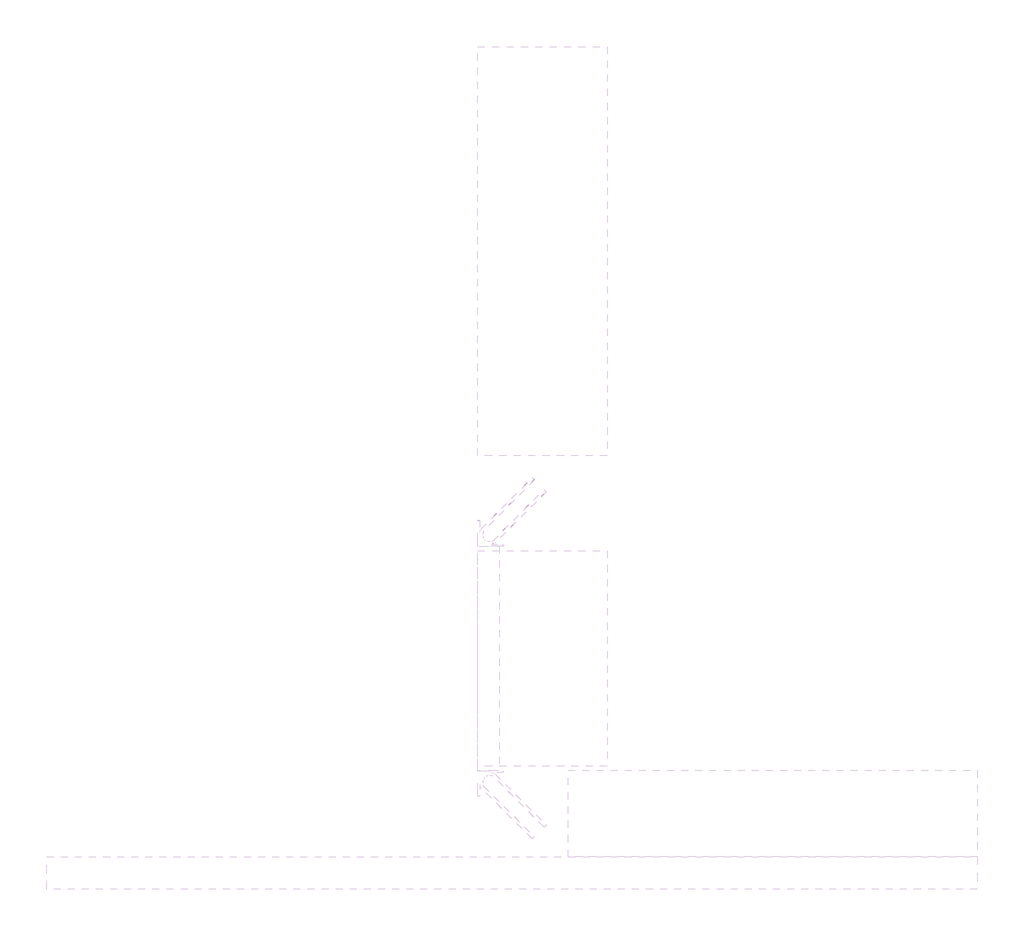
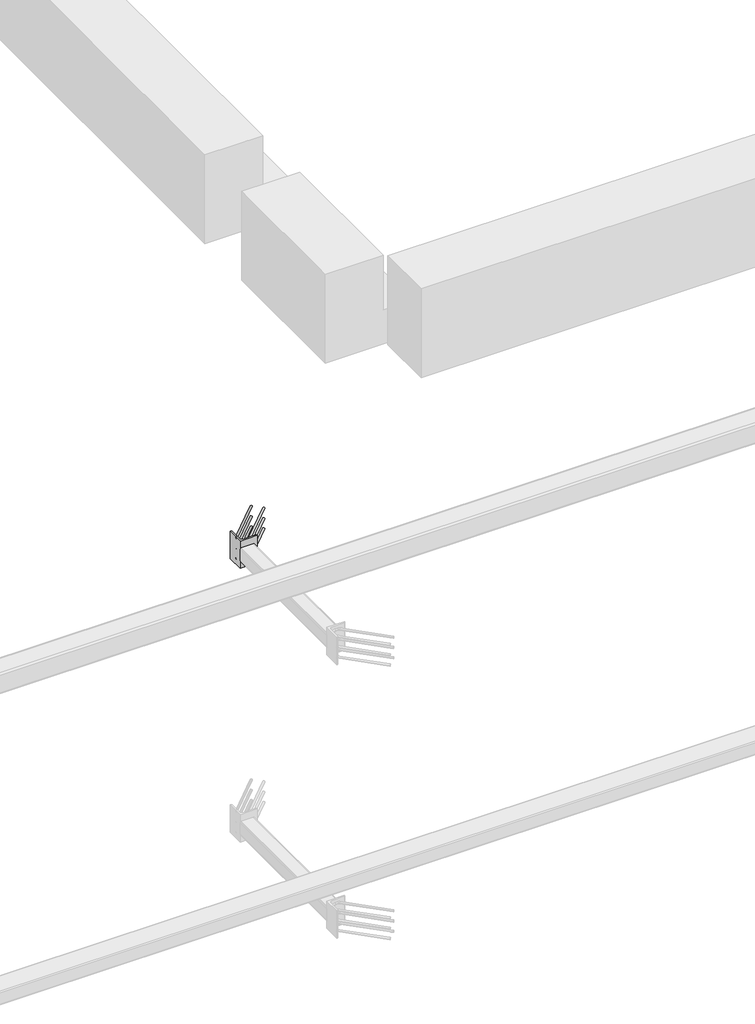
# One storey, part 22 of 65: 1 fastener.
"""IFC4 building model written with IfcOpenShell, lengths in millimetres."""

from ifc_helpers import new_model, si_unit, point, frame, frame_2d, origin, place, context, project, spatial, polyline, circle_curve, ellipse_curve, trimmed, segment, composite_curve, outline, extrude, element, save
from ifc_brep_helpers import plane_surface, cylinder_surface, revolved_surface, advanced_brep

model = new_model("IFC4")

# Units and contexts
model_context = context("Model", 3, world=origin())
ifc_project = project(units=[si_unit("LENGTHUNIT", "METRE", prefix="MILLI")], contexts=[model_context])

# Site, building, storey
site = spatial("IfcSite", under=ifc_project)
building = spatial("IfcBuilding", under=site)
storey = spatial("IfcBuildingStorey", under=building, Elevation=0.0)

# Fastener
placement = place(None, origin())
element("IfcFastener", 1, at=placement, inside=storey, context=model_context, shape_type="SolidModel", body=[
    advanced_brep(
    [(38902.5376259, 11557.4371209, 3975.0), (38912.4371209, 11547.5376259, 3975.0), (38967.4371209, 11492.5376259, 3975.0), (38957.5376259, 11502.4371209, 3975.0), (38697.0, 11264.0, 3975.0), (38697.0, 11250.0, 3975.0), (38715.7867966, 11250.0, 3975.0), (38715.7867966, 11264.0, 3975.0), (38674.0, 11287.0, 3975.0), (38660.0, 11287.0, 3975.0), (38674.0, 11305.7867966, 3975.0), (38660.0, 11305.7867966, 3975.0), (38666.4436508, 11321.3431458, 3975.0), (38676.3431458, 11311.4436508, 3975.0), (38721.4436508, 11266.3431458, 3975.0), (38731.3431458, 11256.4436508, 3975.0)],
    [
        (0, 1, circle_curve(frame((38907.4873734, 11552.4873734, 3975.0), z_axis=(0.7071067811865505, 0.7071067811865446, 0.0), x_axis=(0.7071067811865447, -0.7071067811865506, 0.0)), 7.0)),
        (1, 0, circle_curve(frame((38907.4873734, 11552.4873734, 3975.0), z_axis=(0.7071067811865505, 0.7071067811865446, 0.0), x_axis=(0.7071067811865447, -0.7071067811865506, 0.0)), 7.0)),
        (2, 3, circle_curve(frame((38962.4873734, 11497.4873734, 3975.0), z_axis=(0.7071067811865503, 0.7071067811865447, 0.0), x_axis=(-0.7071067811865447, 0.7071067811865503, 0.0)), 7.0)),
        (3, 2, circle_curve(frame((38962.4873734, 11497.4873734, 3975.0), z_axis=(0.7071067811865503, 0.7071067811865447, 0.0), x_axis=(-0.7071067811865447, 0.7071067811865503, 0.0)), 7.0)),
        (4, 5, circle_curve(frame((38697.0, 11257.0, 3975.0), z_axis=(1.0, 0.0, 0.0), x_axis=(0.0, 1.0, 0.0)), 7.0)),
        (5, 6),
        (6, 7, circle_curve(frame((38715.7867966, 11257.0, 3975.0), z_axis=(-1.0, 0.0, 0.0), x_axis=(0.0, 1.0, 0.0)), 7.0)),
        (7, 4),
        (5, 4, circle_curve(frame((38697.0, 11257.0, 3975.0), z_axis=(1.0, 0.0, 0.0), x_axis=(0.0, 1.0, 0.0)), 7.0)),
        (7, 6, circle_curve(frame((38715.7867966, 11257.0, 3975.0), z_axis=(-1.0, 0.0, 0.0), x_axis=(0.0, 1.0, 0.0)), 7.0)),
        (4, 8, circle_curve(frame((38697.0, 11287.0, 3975.0), z_axis=(0.0, 0.0, -1.0), x_axis=(-1.0, 0.0, 0.0)), 23.0)),
        (8, 9, circle_curve(frame((38667.0, 11287.0, 3975.0), z_axis=(0.0, -1.0, 0.0), x_axis=(1.0, 0.0, 0.0)), 7.0)),
        (9, 5, circle_curve(frame((38697.0, 11287.0, 3975.0), z_axis=(0.0, 0.0, 1.0), x_axis=(-1.0, 0.0, 0.0)), 37.0)),
        (9, 8, circle_curve(frame((38667.0, 11287.0, 3975.0), z_axis=(0.0, -1.0, 0.0), x_axis=(1.0, 0.0, 0.0)), 7.0)),
        (10, 11, circle_curve(frame((38667.0, 11305.7867966, 3975.0), z_axis=(0.0, -1.0, 0.0), x_axis=(1.0, 0.0, 0.0)), 7.0)),
        (11, 9),
        (8, 10),
        (11, 10, circle_curve(frame((38667.0, 11305.7867966, 3975.0), z_axis=(0.0, -1.0, 0.0), x_axis=(1.0, 0.0, 0.0)), 7.0)),
        (0, 12),
        (12, 13, circle_curve(frame((38671.3933983, 11316.3933983, 3975.0), z_axis=(0.7071067811865505, 0.7071067811865446, 0.0), x_axis=(0.7071067811865447, -0.7071067811865506, 0.0)), 7.0)),
        (13, 1),
        (13, 12, circle_curve(frame((38671.3933983, 11316.3933983, 3975.0), z_axis=(0.7071067811865505, 0.7071067811865446, 0.0), x_axis=(0.7071067811865447, -0.7071067811865506, 0.0)), 7.0)),
        (10, 13, circle_curve(frame((38682.0, 11305.7867966, 3975.0), z_axis=(0.0, 0.0, -1.0), x_axis=(-0.7071067811865445, 0.7071067811865506, 0.0)), 8.0)),
        (12, 11, circle_curve(frame((38682.0, 11305.7867966, 3975.0), z_axis=(0.0, 0.0, 1.0), x_axis=(-0.7071067811865445, 0.7071067811865506, 0.0)), 22.0)),
        (14, 7, circle_curve(frame((38715.7867966, 11272.0, 3975.0), z_axis=(0.0, 0.0, -1.0), x_axis=(0.0, -1.0, 0.0)), 8.0)),
        (6, 15, circle_curve(frame((38715.7867966, 11272.0, 3975.0), z_axis=(0.0, 0.0, 1.0), x_axis=(0.0, -1.0, 0.0)), 22.0)),
        (15, 14, circle_curve(frame((38726.3933983, 11261.3933983, 3975.0), z_axis=(-0.7071067811865501, -0.7071067811865449, 0.0), x_axis=(-0.7071067811865449, 0.7071067811865501, 0.0)), 7.0)),
        (14, 15, circle_curve(frame((38726.3933983, 11261.3933983, 3975.0), z_axis=(-0.7071067811865496, -0.7071067811865455, 0.0), x_axis=(-0.7071067811865455, 0.7071067811865496, 0.0)), 7.0)),
        (15, 2),
        (3, 14),
    ],
    [
        plane_surface(frame((38907.4873734, 11552.4873734, 3975.0), z_axis=(0.7071067811865505, 0.7071067811865446, 0.0), x_axis=(0.0, 0.0, 1.0))),
        plane_surface(frame((38962.4873734, 11497.4873734, 3975.0), z_axis=(0.7071067811865503, 0.7071067811865447, 0.0), x_axis=(0.0, 0.0, 1.0))),
        cylinder_surface(frame((38697.0, 11257.0, 3975.0), z_axis=(-1.0, 0.0, 0.0), x_axis=(0.0, 1.0, 0.0)), 7.0),
        revolved_surface(trimmed(ellipse_curve(frame((38667.0, 11287.0, 3975.0), z_axis=(0.0, 1.0, 0.0), x_axis=(1.0, 0.0, 0.0)), 7.0, 7.0), [point((38660.0, 11287.0, 3975.0))], [point((38674.0, 11287.0, 3975.0))], True, "CARTESIAN"), (38697.0, 11287.0, 3975.0), (0.0, 0.0, 1.0)),
        revolved_surface(trimmed(ellipse_curve(frame((38667.0, 11287.0, 3975.0), z_axis=(0.0, 1.0, 0.0), x_axis=(1.0, 0.0, 0.0)), 7.0, 7.0), [point((38674.0, 11287.0, 3975.0))], [point((38660.0, 11287.0, 3975.0))], True, "CARTESIAN"), (38697.0, 11287.0, 3975.0), (0.0, 0.0, 1.0)),
        cylinder_surface(frame((38667.0, 11305.7867966, 3975.0), z_axis=(0.0, 1.0, 0.0), x_axis=(1.0, 0.0, 0.0)), 7.0),
        cylinder_surface(frame((38907.4873734, 11552.4873734, 3975.0), z_axis=(0.7071067811865506, 0.7071067811865447, 0.0), x_axis=(0.7071067811865447, -0.7071067811865506, 0.0)), 7.0),
        revolved_surface(trimmed(ellipse_curve(frame((38671.3933983, 11316.3933983, 3975.0), z_axis=(0.7071067811865506, 0.7071067811865445, 0.0), x_axis=(0.7071067811865445, -0.7071067811865506, 0.0)), 7.0, 7.0), [point((38666.4436508, 11321.3431458, 3975.0))], [point((38676.3431458, 11311.4436508, 3975.0))], True, "CARTESIAN"), (38682.0, 11305.7867966, 3975.0), (0.0, 0.0, 1.0)),
        revolved_surface(trimmed(ellipse_curve(frame((38671.3933983, 11316.3933983, 3975.0), z_axis=(0.7071067811865506, 0.7071067811865445, 0.0), x_axis=(0.7071067811865445, -0.7071067811865506, 0.0)), 7.0, 7.0), [point((38676.3431458, 11311.4436508, 3975.0))], [point((38666.4436508, 11321.3431458, 3975.0))], True, "CARTESIAN"), (38682.0, 11305.7867966, 3975.0), (0.0, 0.0, 1.0)),
        revolved_surface(trimmed(ellipse_curve(frame((38715.7867966, 11257.0, 3975.0), z_axis=(-1.0, 0.0, 0.0), x_axis=(0.0, 1.0, 0.0)), 7.0, 7.0), [point((38715.7867966, 11250.0, 3975.0))], [point((38715.7867966, 11264.0, 3975.0))], True, "CARTESIAN"), (38715.7867966, 11272.0, 3975.0), (0.0, 0.0, 1.0)),
        revolved_surface(trimmed(ellipse_curve(frame((38715.7867966, 11257.0, 3975.0), z_axis=(-1.0, 0.0, 0.0), x_axis=(0.0, 1.0, 0.0)), 7.0, 7.0), [point((38715.7867966, 11264.0, 3975.0))], [point((38715.7867966, 11250.0, 3975.0))], True, "CARTESIAN"), (38715.7867966, 11272.0, 3975.0), (0.0, 0.0, 1.0)),
        cylinder_surface(frame((38726.3933983, 11261.3933983, 3975.0), z_axis=(-0.7071067811865503, -0.7071067811865447, 0.0), x_axis=(-0.7071067811865447, 0.7071067811865503, 0.0)), 7.0),
    ],
    [
        (0, [[1, 2]]),
        (1, [[3, 4]]),
        (2, [[5, 6, 7, 8]]),
        (2, [[9, -8, 10, -6]]),
        (3, [[11, 12, 13, -5]]),
        (4, [[-13, 14, -11, -9]]),
        (5, [[15, 16, -12, 17]]),
        (5, [[18, -17, -14, -16]]),
        (6, [[-1, 19, 20, 21]]),
        (6, [[-2, -21, 22, -19]]),
        (7, [[23, -20, 24, -15]]),
        (8, [[-24, -22, -23, -18]]),
        (9, [[25, -7, 26, 27]]),
        (10, [[-26, -10, -25, 28]]),
        (11, [[-27, 29, -4, 30]]),
        (11, [[-28, -30, -3, -29]]),
    ],
),
    advanced_brep(
    [(38912.4371209, 11547.5376259, 4125.0), (38902.5376259, 11557.4371209, 4125.0), (38957.5376259, 11502.4371209, 4125.0), (38967.4371209, 11492.5376259, 4125.0), (38697.0, 11250.0, 4125.0), (38697.0, 11264.0, 4125.0), (38715.7867966, 11264.0, 4125.0), (38715.7867966, 11250.0, 4125.0), (38660.0, 11287.0, 4125.0), (38674.0, 11287.0, 4125.0), (38660.0, 11305.7867966, 4125.0), (38674.0, 11305.7867966, 4125.0), (38676.3431458, 11311.4436508, 4125.0), (38666.4436508, 11321.3431458, 4125.0), (38731.3431458, 11256.4436508, 4125.0), (38721.4436508, 11266.3431458, 4125.0)],
    [
        (0, 1, circle_curve(frame((38907.4873734, 11552.4873734, 4125.0), z_axis=(0.7071067811865505, 0.7071067811865446, 0.0), x_axis=(-0.7071067811865447, 0.7071067811865506, 0.0)), 7.0)),
        (1, 0, circle_curve(frame((38907.4873734, 11552.4873734, 4125.0), z_axis=(0.7071067811865505, 0.7071067811865446, 0.0), x_axis=(-0.7071067811865447, 0.7071067811865506, 0.0)), 7.0)),
        (2, 3, circle_curve(frame((38962.4873734, 11497.4873734, 4125.0), z_axis=(0.7071067811865505, 0.7071067811865447, 0.0), x_axis=(0.7071067811865447, -0.7071067811865505, 0.0)), 7.0)),
        (3, 2, circle_curve(frame((38962.4873734, 11497.4873734, 4125.0), z_axis=(0.7071067811865505, 0.7071067811865447, 0.0), x_axis=(0.7071067811865447, -0.7071067811865505, 0.0)), 7.0)),
        (4, 5, circle_curve(frame((38697.0, 11257.0, 4125.0), z_axis=(1.0, 0.0, 0.0), x_axis=(0.0, -1.0, 0.0)), 7.0)),
        (5, 6),
        (6, 7, circle_curve(frame((38715.7867966, 11257.0, 4125.0), z_axis=(-1.0, 0.0, 0.0), x_axis=(0.0, -1.0, 0.0)), 7.0)),
        (7, 4),
        (5, 4, circle_curve(frame((38697.0, 11257.0, 4125.0), z_axis=(1.0, 0.0, 0.0), x_axis=(0.0, -1.0, 0.0)), 7.0)),
        (7, 6, circle_curve(frame((38715.7867966, 11257.0, 4125.0), z_axis=(-1.0, 0.0, 0.0), x_axis=(0.0, -1.0, 0.0)), 7.0)),
        (4, 8, circle_curve(frame((38697.0, 11287.0, 4125.0), z_axis=(0.0, 0.0, -1.0), x_axis=(-1.0, 0.0, 0.0)), 37.0)),
        (8, 9, circle_curve(frame((38667.0, 11287.0, 4125.0), z_axis=(0.0, -1.0, 0.0), x_axis=(-1.0, 0.0, 0.0)), 7.0)),
        (9, 5, circle_curve(frame((38697.0, 11287.0, 4125.0), z_axis=(0.0, 0.0, 1.0), x_axis=(-1.0, 0.0, 0.0)), 23.0)),
        (9, 8, circle_curve(frame((38667.0, 11287.0, 4125.0), z_axis=(0.0, -1.0, 0.0), x_axis=(-1.0, 0.0, 0.0)), 7.0)),
        (10, 11, circle_curve(frame((38667.0, 11305.7867966, 4125.0), z_axis=(0.0, -1.0, 0.0), x_axis=(-1.0, 0.0, 0.0)), 7.0)),
        (11, 9),
        (8, 10),
        (11, 10, circle_curve(frame((38667.0, 11305.7867966, 4125.0), z_axis=(0.0, -1.0, 0.0), x_axis=(-1.0, 0.0, 0.0)), 7.0)),
        (0, 12),
        (12, 13, circle_curve(frame((38671.3933983, 11316.3933983, 4125.0), z_axis=(0.7071067811865505, 0.7071067811865446, 0.0), x_axis=(-0.7071067811865447, 0.7071067811865506, 0.0)), 7.0)),
        (13, 1),
        (13, 12, circle_curve(frame((38671.3933983, 11316.3933983, 4125.0), z_axis=(0.7071067811865505, 0.7071067811865446, 0.0), x_axis=(-0.7071067811865447, 0.7071067811865506, 0.0)), 7.0)),
        (10, 13, circle_curve(frame((38682.0, 11305.7867966, 4125.0), z_axis=(0.0, 0.0, -1.0), x_axis=(-0.7071067811865445, 0.7071067811865506, 0.0)), 22.0)),
        (12, 11, circle_curve(frame((38682.0, 11305.7867966, 4125.0), z_axis=(0.0, 0.0, 1.0), x_axis=(-0.7071067811865445, 0.7071067811865506, 0.0)), 8.0)),
        (14, 7, circle_curve(frame((38715.7867966, 11272.0, 4125.0), z_axis=(0.0, 0.0, -1.0), x_axis=(0.0, -1.0, 0.0)), 22.0)),
        (6, 15, circle_curve(frame((38715.7867966, 11272.0, 4125.0), z_axis=(0.0, 0.0, 1.0), x_axis=(0.0, -1.0, 0.0)), 8.0)),
        (15, 14, circle_curve(frame((38726.3933983, 11261.3933983, 4125.0), z_axis=(-0.7071067811865488, -0.7071067811865462, 0.0), x_axis=(0.7071067811865462, -0.7071067811865488, 0.0)), 7.0)),
        (14, 15, circle_curve(frame((38726.3933983, 11261.3933983, 4125.0), z_axis=(-0.7071067811865496, -0.7071067811865455, 0.0), x_axis=(0.7071067811865455, -0.7071067811865496, 0.0)), 7.0)),
        (15, 2),
        (3, 14),
    ],
    [
        plane_surface(frame((38907.4873734, 11552.4873734, 4125.0), z_axis=(0.7071067811865505, 0.7071067811865446, 0.0), x_axis=(0.0, 0.0, -1.0))),
        plane_surface(frame((38962.4873734, 11497.4873734, 4125.0), z_axis=(0.7071067811865505, 0.7071067811865447, 0.0), x_axis=(0.0, 0.0, -1.0))),
        cylinder_surface(frame((38697.0, 11257.0, 4125.0), z_axis=(-1.0, 0.0, 0.0), x_axis=(0.0, -1.0, 0.0)), 7.0),
        revolved_surface(trimmed(ellipse_curve(frame((38667.0, 11287.0, 4125.0), z_axis=(0.0, 1.0, 0.0), x_axis=(-1.0, 0.0, 0.0)), 7.0, 7.0), [point((38674.0, 11287.0, 4125.0))], [point((38660.0, 11287.0, 4125.0))], True, "CARTESIAN"), (38697.0, 11287.0, 4125.0), (0.0, 0.0, 1.0)),
        revolved_surface(trimmed(ellipse_curve(frame((38667.0, 11287.0, 4125.0), z_axis=(0.0, 1.0, 0.0), x_axis=(-1.0, 0.0, 0.0)), 7.0, 7.0), [point((38660.0, 11287.0, 4125.0))], [point((38674.0, 11287.0, 4125.0))], True, "CARTESIAN"), (38697.0, 11287.0, 4125.0), (0.0, 0.0, 1.0)),
        cylinder_surface(frame((38667.0, 11305.7867966, 4125.0), z_axis=(0.0, 1.0, 0.0), x_axis=(-1.0, 0.0, 0.0)), 7.0),
        cylinder_surface(frame((38907.4873734, 11552.4873734, 4125.0), z_axis=(0.7071067811865506, 0.7071067811865447, 0.0), x_axis=(-0.7071067811865447, 0.7071067811865506, 0.0)), 7.0),
        revolved_surface(trimmed(ellipse_curve(frame((38671.3933983, 11316.3933983, 4125.0), z_axis=(0.7071067811865506, 0.7071067811865445, 0.0), x_axis=(-0.7071067811865445, 0.7071067811865506, 0.0)), 7.0, 7.0), [point((38676.3431458, 11311.4436508, 4125.0))], [point((38666.4436508, 11321.3431458, 4125.0))], True, "CARTESIAN"), (38682.0, 11305.7867966, 4125.0), (0.0, 0.0, 1.0)),
        revolved_surface(trimmed(ellipse_curve(frame((38671.3933983, 11316.3933983, 4125.0), z_axis=(0.7071067811865506, 0.7071067811865445, 0.0), x_axis=(-0.7071067811865445, 0.7071067811865506, 0.0)), 7.0, 7.0), [point((38666.4436508, 11321.3431458, 4125.0))], [point((38676.3431458, 11311.4436508, 4125.0))], True, "CARTESIAN"), (38682.0, 11305.7867966, 4125.0), (0.0, 0.0, 1.0)),
        revolved_surface(trimmed(ellipse_curve(frame((38715.7867966, 11257.0, 4125.0), z_axis=(-1.0, 0.0, 0.0), x_axis=(0.0, -1.0, 0.0)), 7.0, 7.0), [point((38715.7867966, 11264.0, 4125.0))], [point((38715.7867966, 11250.0, 4125.0))], True, "CARTESIAN"), (38715.7867966, 11272.0, 4125.0), (0.0, 0.0, 1.0)),
        revolved_surface(trimmed(ellipse_curve(frame((38715.7867966, 11257.0, 4125.0), z_axis=(-1.0, 0.0, 0.0), x_axis=(0.0, -1.0, 0.0)), 7.0, 7.0), [point((38715.7867966, 11250.0, 4125.0))], [point((38715.7867966, 11264.0, 4125.0))], True, "CARTESIAN"), (38715.7867966, 11272.0, 4125.0), (0.0, 0.0, 1.0)),
        cylinder_surface(frame((38726.3933983, 11261.3933983, 4125.0), z_axis=(-0.7071067811865505, -0.7071067811865447, 0.0), x_axis=(0.7071067811865447, -0.7071067811865505, 0.0)), 7.0),
    ],
    [
        (0, [[1, 2]]),
        (1, [[3, 4]]),
        (2, [[5, 6, 7, 8]]),
        (2, [[9, -8, 10, -6]]),
        (3, [[11, 12, 13, -5]]),
        (4, [[-13, 14, -11, -9]]),
        (5, [[15, 16, -12, 17]]),
        (5, [[18, -17, -14, -16]]),
        (6, [[-1, 19, 20, 21]]),
        (6, [[-2, -21, 22, -19]]),
        (7, [[23, -20, 24, -15]]),
        (8, [[-24, -22, -23, -18]]),
        (9, [[25, -7, 26, 27]]),
        (10, [[-26, -10, -25, 28]]),
        (11, [[-27, 29, -4, 30]]),
        (11, [[-28, -30, -3, -29]]),
    ],
),
    advanced_brep(
    [(38912.4371209, 11547.5376259, 4050.0), (38902.5376259, 11557.4371209, 4050.0), (38957.5376259, 11502.4371209, 4050.0), (38967.4371209, 11492.5376259, 4050.0), (38697.0, 11250.0, 4050.0), (38697.0, 11264.0, 4050.0), (38715.7867966, 11264.0, 4050.0), (38715.7867966, 11250.0, 4050.0), (38660.0, 11287.0, 4050.0), (38674.0, 11287.0, 4050.0), (38660.0, 11305.7867966, 4050.0), (38674.0, 11305.7867966, 4050.0), (38676.3431458, 11311.4436508, 4050.0), (38666.4436508, 11321.3431458, 4050.0), (38731.3431458, 11256.4436508, 4050.0), (38721.4436508, 11266.3431458, 4050.0)],
    [
        (0, 1, circle_curve(frame((38907.4873734, 11552.4873734, 4050.0), z_axis=(0.7071067811865505, 0.7071067811865446, 0.0), x_axis=(-0.7071067811865446, 0.7071067811865505, 0.0)), 7.0)),
        (1, 0, circle_curve(frame((38907.4873734, 11552.4873734, 4050.0), z_axis=(0.7071067811865505, 0.7071067811865446, 0.0), x_axis=(-0.7071067811865446, 0.7071067811865505, 0.0)), 7.0)),
        (2, 3, circle_curve(frame((38962.4873734, 11497.4873734, 4050.0), z_axis=(0.7071067811865505, 0.7071067811865447, 0.0), x_axis=(0.7071067811865447, -0.7071067811865505, 0.0)), 7.0)),
        (3, 2, circle_curve(frame((38962.4873734, 11497.4873734, 4050.0), z_axis=(0.7071067811865505, 0.7071067811865447, 0.0), x_axis=(0.7071067811865447, -0.7071067811865505, 0.0)), 7.0)),
        (4, 5, circle_curve(frame((38697.0, 11257.0, 4050.0), z_axis=(1.0, 0.0, 0.0), x_axis=(0.0, -1.0, 0.0)), 7.0)),
        (5, 6),
        (6, 7, circle_curve(frame((38715.7867966, 11257.0, 4050.0), z_axis=(-1.0, 0.0, 0.0), x_axis=(0.0, -1.0, 0.0)), 7.0)),
        (7, 4),
        (5, 4, circle_curve(frame((38697.0, 11257.0, 4050.0), z_axis=(1.0, 0.0, 0.0), x_axis=(0.0, -1.0, 0.0)), 7.0)),
        (7, 6, circle_curve(frame((38715.7867966, 11257.0, 4050.0), z_axis=(-1.0, 0.0, 0.0), x_axis=(0.0, -1.0, 0.0)), 7.0)),
        (4, 8, circle_curve(frame((38697.0, 11287.0, 4050.0), z_axis=(0.0, 0.0, -1.0), x_axis=(-1.0, 0.0, 0.0)), 37.0)),
        (8, 9, circle_curve(frame((38667.0, 11287.0, 4050.0), z_axis=(0.0, -1.0, 0.0), x_axis=(-1.0, 0.0, 0.0)), 7.0)),
        (9, 5, circle_curve(frame((38697.0, 11287.0, 4050.0), z_axis=(0.0, 0.0, 1.0), x_axis=(-1.0, 0.0, 0.0)), 23.0)),
        (9, 8, circle_curve(frame((38667.0, 11287.0, 4050.0), z_axis=(0.0, -1.0, 0.0), x_axis=(-1.0, 0.0, 0.0)), 7.0)),
        (10, 11, circle_curve(frame((38667.0, 11305.7867966, 4050.0), z_axis=(0.0, -1.0, 0.0), x_axis=(-1.0, 0.0, 0.0)), 7.0)),
        (11, 9),
        (8, 10),
        (11, 10, circle_curve(frame((38667.0, 11305.7867966, 4050.0), z_axis=(0.0, -1.0, 0.0), x_axis=(-1.0, 0.0, 0.0)), 7.0)),
        (0, 12),
        (12, 13, circle_curve(frame((38671.3933983, 11316.3933983, 4050.0), z_axis=(0.7071067811865505, 0.7071067811865446, 0.0), x_axis=(-0.7071067811865446, 0.7071067811865505, 0.0)), 7.0)),
        (13, 1),
        (13, 12, circle_curve(frame((38671.3933983, 11316.3933983, 4050.0), z_axis=(0.7071067811865505, 0.7071067811865446, 0.0), x_axis=(-0.7071067811865446, 0.7071067811865505, 0.0)), 7.0)),
        (10, 13, circle_curve(frame((38682.0, 11305.7867966, 4050.0), z_axis=(0.0, 0.0, -1.0), x_axis=(-0.7071067811865445, 0.7071067811865506, 0.0)), 22.0)),
        (12, 11, circle_curve(frame((38682.0, 11305.7867966, 4050.0), z_axis=(0.0, 0.0, 1.0), x_axis=(-0.7071067811865445, 0.7071067811865506, 0.0)), 8.0)),
        (14, 7, circle_curve(frame((38715.7867966, 11272.0, 4050.0), z_axis=(0.0, 0.0, -1.0), x_axis=(0.0, -1.0, 0.0)), 22.0)),
        (6, 15, circle_curve(frame((38715.7867966, 11272.0, 4050.0), z_axis=(0.0, 0.0, 1.0), x_axis=(0.0, -1.0, 0.0)), 8.0)),
        (15, 14, circle_curve(frame((38726.3933983, 11261.3933983, 4050.0), z_axis=(-0.7071067811865502, -0.7071067811865448, 0.0), x_axis=(0.7071067811865448, -0.7071067811865502, 0.0)), 7.0)),
        (14, 15, circle_curve(frame((38726.3933983, 11261.3933983, 4050.0), z_axis=(-0.7071067811865501, -0.7071067811865449, 0.0), x_axis=(0.7071067811865449, -0.7071067811865501, 0.0)), 7.0)),
        (15, 2),
        (3, 14),
    ],
    [
        plane_surface(frame((38907.4873734, 11552.4873734, 4050.0), z_axis=(0.7071067811865505, 0.7071067811865446, 0.0), x_axis=(0.0, 0.0, -1.0))),
        plane_surface(frame((38962.4873734, 11497.4873734, 4050.0), z_axis=(0.7071067811865503, 0.7071067811865448, 0.0), x_axis=(0.0, 0.0, -1.0))),
        cylinder_surface(frame((38697.0, 11257.0, 4050.0), z_axis=(-1.0, 0.0, 0.0), x_axis=(0.0, -1.0, 0.0)), 7.0),
        revolved_surface(trimmed(ellipse_curve(frame((38667.0, 11287.0, 4050.0), z_axis=(0.0, 1.0, 0.0), x_axis=(-1.0, 0.0, 0.0)), 7.0, 7.0), [point((38674.0, 11287.0, 4050.0))], [point((38660.0, 11287.0, 4050.0))], True, "CARTESIAN"), (38697.0, 11287.0, 4050.0), (0.0, 0.0, 1.0)),
        revolved_surface(trimmed(ellipse_curve(frame((38667.0, 11287.0, 4050.0), z_axis=(0.0, 1.0, 0.0), x_axis=(-1.0, 0.0, 0.0)), 7.0, 7.0), [point((38660.0, 11287.0, 4050.0))], [point((38674.0, 11287.0, 4050.0))], True, "CARTESIAN"), (38697.0, 11287.0, 4050.0), (0.0, 0.0, 1.0)),
        cylinder_surface(frame((38667.0, 11305.7867966, 4050.0), z_axis=(0.0, 1.0, 0.0), x_axis=(-1.0, 0.0, 0.0)), 7.0),
        cylinder_surface(frame((38907.4873734, 11552.4873734, 4050.0), z_axis=(0.7071067811865505, 0.7071067811865446, 0.0), x_axis=(-0.7071067811865446, 0.7071067811865505, 0.0)), 7.0),
        revolved_surface(trimmed(ellipse_curve(frame((38671.3933983, 11316.3933983, 4050.0), z_axis=(0.7071067811865507, 0.7071067811865444, 0.0), x_axis=(-0.7071067811865444, 0.7071067811865507, 0.0)), 7.0, 7.0), [point((38676.3431458, 11311.4436508, 4050.0))], [point((38666.4436508, 11321.3431458, 4050.0))], True, "CARTESIAN"), (38682.0, 11305.7867966, 4050.0), (0.0, 0.0, 1.0)),
        revolved_surface(trimmed(ellipse_curve(frame((38671.3933983, 11316.3933983, 4050.0), z_axis=(0.7071067811865507, 0.7071067811865444, 0.0), x_axis=(-0.7071067811865444, 0.7071067811865507, 0.0)), 7.0, 7.0), [point((38666.4436508, 11321.3431458, 4050.0))], [point((38676.3431458, 11311.4436508, 4050.0))], True, "CARTESIAN"), (38682.0, 11305.7867966, 4050.0), (0.0, 0.0, 1.0)),
        revolved_surface(trimmed(ellipse_curve(frame((38715.7867966, 11257.0, 4050.0), z_axis=(-1.0, 0.0, 0.0), x_axis=(0.0, -1.0, 0.0)), 7.0, 7.0), [point((38715.7867966, 11264.0, 4050.0))], [point((38715.7867966, 11250.0, 4050.0))], True, "CARTESIAN"), (38715.7867966, 11272.0, 4050.0), (0.0, 0.0, 1.0)),
        revolved_surface(trimmed(ellipse_curve(frame((38715.7867966, 11257.0, 4050.0), z_axis=(-1.0, 0.0, 0.0), x_axis=(0.0, -1.0, 0.0)), 7.0, 7.0), [point((38715.7867966, 11250.0, 4050.0))], [point((38715.7867966, 11264.0, 4050.0))], True, "CARTESIAN"), (38715.7867966, 11272.0, 4050.0), (0.0, 0.0, 1.0)),
        cylinder_surface(frame((38726.3933983, 11261.3933983, 4050.0), z_axis=(-0.7071067811865505, -0.7071067811865447, 0.0), x_axis=(0.7071067811865447, -0.7071067811865505, 0.0)), 7.0),
    ],
    [
        (0, [[1, 2]]),
        (1, [[3, 4]]),
        (2, [[5, 6, 7, 8]]),
        (2, [[9, -8, 10, -6]]),
        (3, [[11, 12, 13, -5]]),
        (4, [[-13, 14, -11, -9]]),
        (5, [[15, 16, -12, 17]]),
        (5, [[18, -17, -14, -16]]),
        (6, [[-1, 19, 20, 21]]),
        (6, [[-2, -21, 22, -19]]),
        (7, [[23, -20, 24, -15]]),
        (8, [[-24, -22, -23, -18]]),
        (9, [[25, -7, 26, 27]]),
        (10, [[-26, -10, -25, 28]]),
        (11, [[-27, 29, -4, 30]]),
        (11, [[-28, -30, -3, -29]]),
    ],
),
    extrude(outline(composite_curve([segment(polyline([(38650.0, 11240.0), (38650.0, 11360.0), (38653.5, 11360.0)]), True, "CONTINUOUS"), segment(trimmed(circle_curve(frame_2d((38653.5, 11353.5)), 6.5), [point((38653.5, 11360.0))], [point((38660.0, 11353.5))], False, "CARTESIAN"), True, "CONTINUOUS"), segment(polyline([(38660.0, 11353.5), (38660.0, 11263.0)]), True, "CONTINUOUS"), segment(trimmed(circle_curve(frame_2d((38673.0, 11263.0)), 13.0), [point((38660.0, 11263.0))], [point((38673.0, 11250.0))], True, "CARTESIAN"), True, "CONTINUOUS"), segment(polyline([(38673.0, 11250.0), (38763.5, 11250.0)]), True, "CONTINUOUS"), segment(trimmed(circle_curve(frame_2d((38763.5, 11243.5)), 6.5), [point((38763.5, 11250.0))], [point((38770.0, 11243.5))], False, "CARTESIAN"), True, "CONTINUOUS"), segment(polyline([(38770.0, 11243.5), (38770.0, 11240.0), (38650.0, 11240.0)]), True, "CONTINUOUS")], self_intersect=False)), frame((0.0, 0.0, 3950.0), z_axis=(0.0, 0.0, 1.0), x_axis=(1.0, 0.0, 0.0)), (0.0, 0.0, 1.0), 200.0),
])

save(model, "model.ifc")
